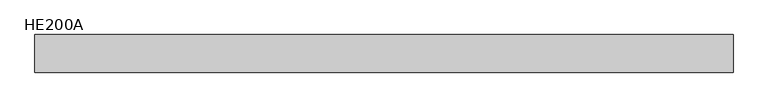
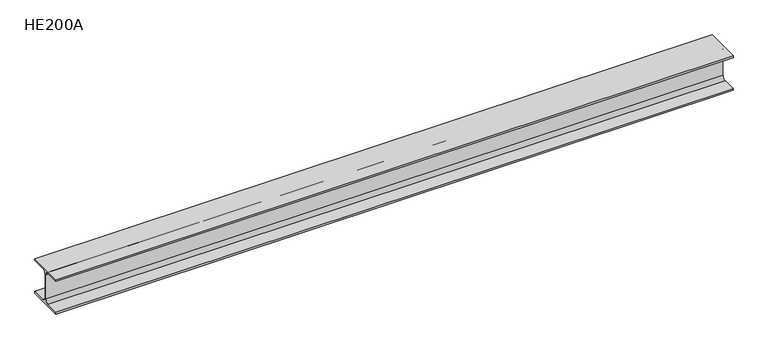
"""IFC4 building model written with IfcOpenShell, lengths in millimetres: beam geometry, HE200A."""

from ifc_helpers import new_model, si_unit, point, frame, frame_2d, origin, place, context, project, spatial, polyline, circle_curve, trimmed, segment, composite_curve, outline, extrude, source, transform, mapped, element, save


def he200a_4ad3cc5c(model_context):
    return source(origin(), model_context, "Body", "SweptSolid", [
        extrude(outline(composite_curve([segment(polyline([(100.0, -90.0), (100.0, -100.0), (-100.0, -100.0), (-100.0, -90.0), (-24.0, -90.0)]), True, "CONTINUOUS"), segment(trimmed(circle_curve(frame_2d((-24.0, -70.0)), 20.0), [point((-24.0, -90.0))], [point((-4.0, -70.0))], True, "CARTESIAN"), True, "CONTINUOUS"), segment(polyline([(-4.0, -70.0), (-4.0, 70.0)]), True, "CONTINUOUS"), segment(trimmed(circle_curve(frame_2d((-24.0, 70.0)), 20.0), [point((-4.0, 70.0))], [point((-24.0, 90.0))], True, "CARTESIAN"), True, "CONTINUOUS"), segment(polyline([(-24.0, 90.0), (-100.0, 90.0), (-100.0, 100.0), (100.0, 100.0), (100.0, 90.0), (24.0, 90.0)]), True, "CONTINUOUS"), segment(trimmed(circle_curve(frame_2d((24.0, 70.0)), 20.0), [point((24.0, 90.0))], [point((4.0, 70.0))], True, "CARTESIAN"), True, "CONTINUOUS"), segment(polyline([(4.0, 70.0), (4.0, -70.0)]), True, "CONTINUOUS"), segment(trimmed(circle_curve(frame_2d((24.0, -70.0)), 20.0), [point((4.0, -70.0))], [point((24.0, -90.0))], True, "CARTESIAN"), True, "CONTINUOUS"), segment(polyline([(24.0, -90.0), (100.0, -90.0)]), True, "CONTINUOUS")], self_intersect=False)), frame((-1866.0, 0.0, 0.0), z_axis=(1.0, 0.0, 0.0), x_axis=(0.0, 1.0, 0.0)), (0.0, 0.0, 1.0), 3711.0),
    ])


if __name__ == "__main__":
    model = new_model("IFC4")
    model_context = context("Model", 3, world=origin())
    ifc_project = project(units=[si_unit("LENGTHUNIT", "METRE", prefix="MILLI")], contexts=[model_context])
    site = spatial("IfcSite", under=ifc_project)
    building = spatial("IfcBuilding", under=site)
    placement = place(None, origin())
    he200a_shape = he200a_4ad3cc5c(model_context)
    element("IfcBeam", 1, ObjectType="HE200A", at=placement, inside=building, context=model_context, shape_type="MappedRepresentation", body=[
        mapped(he200a_shape, transform((0.0, 0.0, 0.0), x_axis=(1.0, 0.0, 0.0), y_axis=(0.0, 1.0, 0.0), z_axis=(0.0, 0.0, 1.0))),
    ])
    save(model, "model.ifc")
